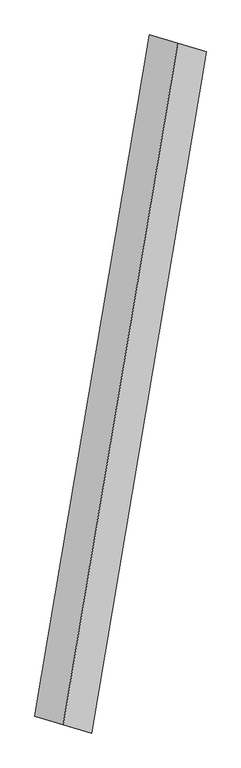
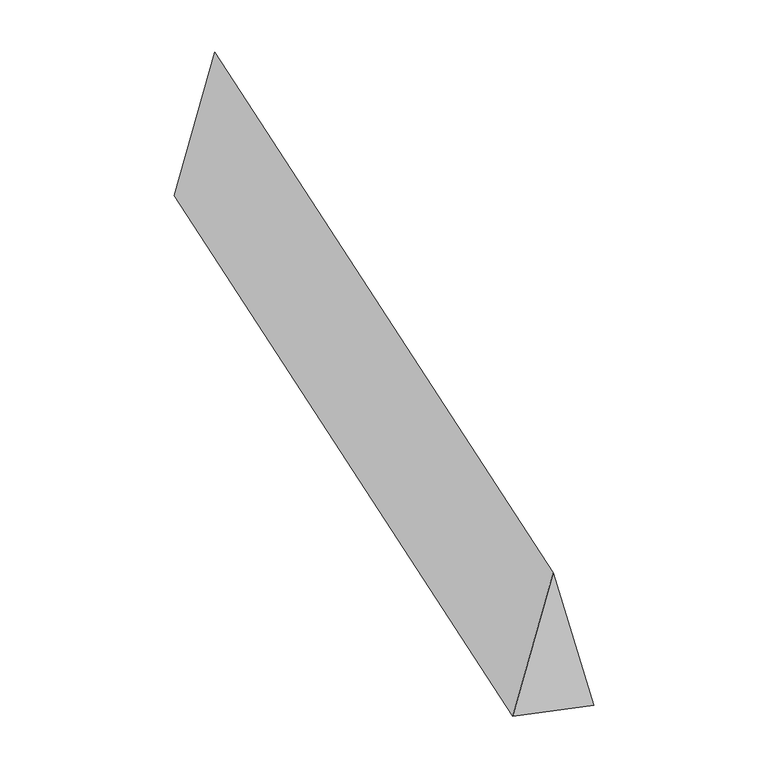
"""IFC4 building model written with IfcOpenShell, lengths in millimetres: proxy geometry."""

from ifc_helpers import new_model, si_unit, origin, place, context, project, spatial, faceted_brep, source, transform, mapped, element, save


def generic_models_98046187(model_context):
    return source(origin(), model_context, "Body", "Brep", [
        faceted_brep([(-334.7923917, -1986.5072819, 700.0), (-169.1353318, -2035.4199514, 0.0), (500.4494516, 1937.5946123, 0.0), (334.7923917, 1986.5072819, 700.0), (-500.4494516, -1937.5946123, 0.0), (169.1353318, 2035.4199514, 0.0)], [[[0, 1, 2, 3]], [[1, 4, 5, 2]], [[4, 0, 3, 5]], [[3, 2, 5]], [[0, 4, 1]]]),
    ])


if __name__ == "__main__":
    model = new_model("IFC4")
    model_context = context("Model", 3, world=origin())
    ifc_project = project(units=[si_unit("LENGTHUNIT", "METRE", prefix="MILLI")], contexts=[model_context])
    site = spatial("IfcSite", under=ifc_project)
    building = spatial("IfcBuilding", under=site)
    placement = place(None, origin())
    generic_models_shape = generic_models_98046187(model_context)
    element("IfcBuildingElementProxy", 1, Name="Generic Models", at=placement, inside=building, context=model_context, shape_type="MappedRepresentation", body=[
        mapped(generic_models_shape, transform((0.0, 0.0, 0.0), x_axis=(1.0, 0.0, 0.0), y_axis=(0.0, 1.0, 0.0), z_axis=(0.0, 0.0, 1.0))),
    ])
    save(model, "model.ifc")
